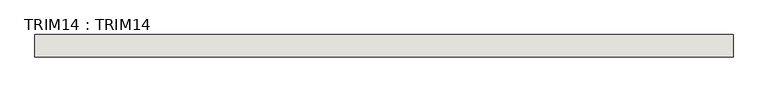
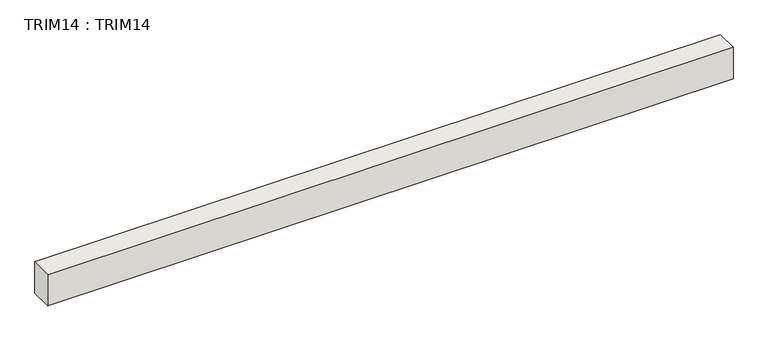
"""IFC4 building model written with IfcOpenShell, lengths in millimetres: wall geometry, TRIM14 : TRIM14."""

from ifc_helpers import new_model, si_unit, frame, origin, place, context, project, spatial, polyline, outline, extrude, source, transform, mapped, element, save


def trim14_trim14_8db77cf5(model_context):
    return source(origin(), model_context, "Body", "SweptSolid", [
        extrude(outline(polyline([(-14286.834012, 11044.1232965), (-15874.334012, 11044.1232965), (-15874.334012, 11094.9232965), (-14286.834012, 11094.9232965), (-14286.834012, 11044.1232965)])), frame((0.0, 0.0, 666.8742727), z_axis=(0.0, 0.0, 1.0), x_axis=(1.0, 0.0, 0.0)), (0.0, 0.0, 1.0), 76.2),
    ])


if __name__ == "__main__":
    model = new_model("IFC4")
    model_context = context("Model", 3, world=origin())
    ifc_project = project(units=[si_unit("LENGTHUNIT", "METRE", prefix="MILLI")], contexts=[model_context])
    site = spatial("IfcSite", under=ifc_project)
    building = spatial("IfcBuilding", under=site)
    placement = place(None, origin())
    trim14_trim14_shape = trim14_trim14_8db77cf5(model_context)
    element("IfcWall", 1, ObjectType="TRIM14 : TRIM14", at=placement, inside=building, context=model_context, shape_type="MappedRepresentation", body=[
        mapped(trim14_trim14_shape, transform((0.0, 0.0, 0.0), x_axis=(1.0, 0.0, 0.0), y_axis=(0.0, 1.0, 0.0), z_axis=(0.0, 0.0, 1.0))),
    ])
    save(model, "model.ifc")
